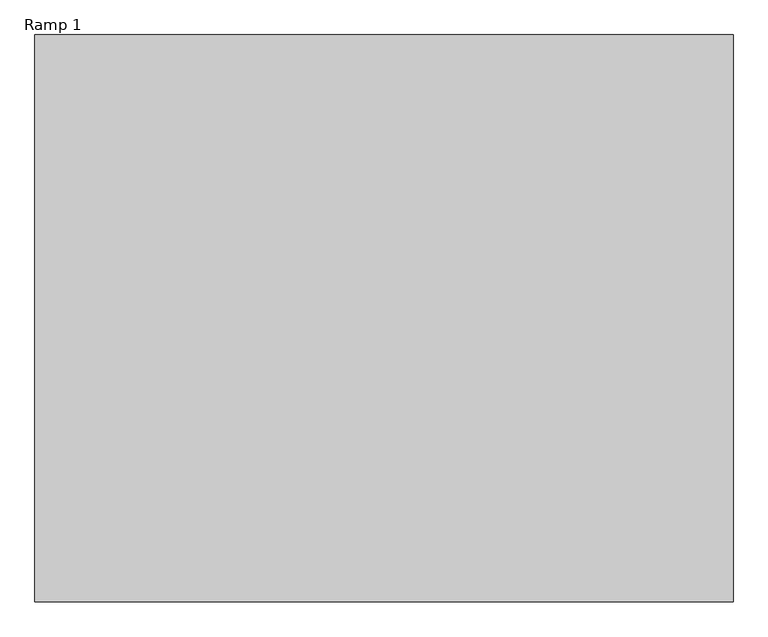
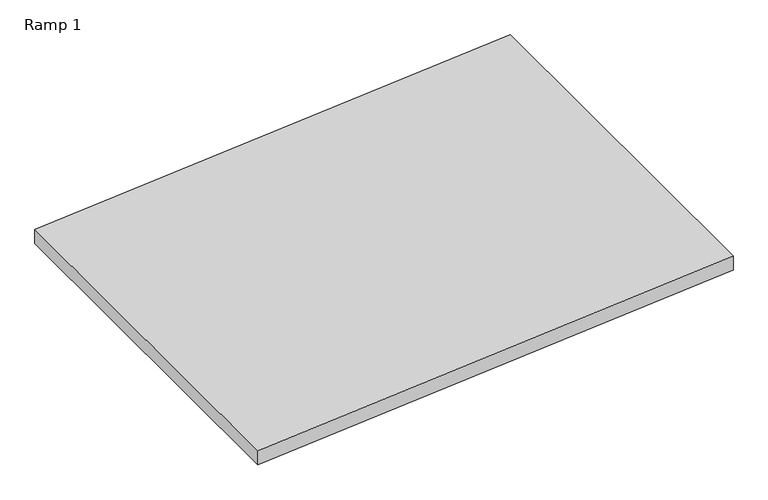
"""IFC4 building model written with IfcOpenShell, lengths in millimetres: ramp geometry, Ramp 1."""

from ifc_helpers import new_model, si_unit, frame, origin, place, context, project, spatial, polyline, outline, extrude, source, transform, mapped, element, save


def ramp_1_c5d12a79(model_context):
    return source(origin(), model_context, "Body", "SweptSolid", [
        extrude(outline(polyline([(0.0, 241851.4557747), (-203.2, 239413.0557747), (-279.6641256, 239413.0557747), (-76.4641256, 241851.4557747), (0.0, 241851.4557747)])), frame((0.0, 292496.1980843, 0.0), z_axis=(0.0, 1.0, 0.0), x_axis=(0.0, 0.0, 1.0)), (0.0, 0.0, 1.0), 1981.2),
    ])


if __name__ == "__main__":
    model = new_model("IFC4")
    model_context = context("Model", 3, world=origin())
    ifc_project = project(units=[si_unit("LENGTHUNIT", "METRE", prefix="MILLI")], contexts=[model_context])
    site = spatial("IfcSite", under=ifc_project)
    building = spatial("IfcBuilding", under=site)
    placement = place(None, origin())
    ramp_1_shape = ramp_1_c5d12a79(model_context)
    element("IfcRamp", 1, ObjectType="Ramp 1", at=placement, inside=building, context=model_context, shape_type="MappedRepresentation", body=[
        mapped(ramp_1_shape, transform((0.0, 0.0, 0.0), x_axis=(1.0, 0.0, 0.0), y_axis=(0.0, 1.0, 0.0), z_axis=(0.0, 0.0, 1.0))),
    ])
    save(model, "model.ifc")
